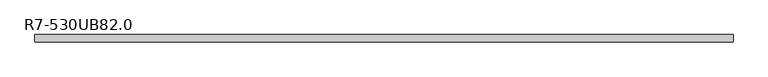
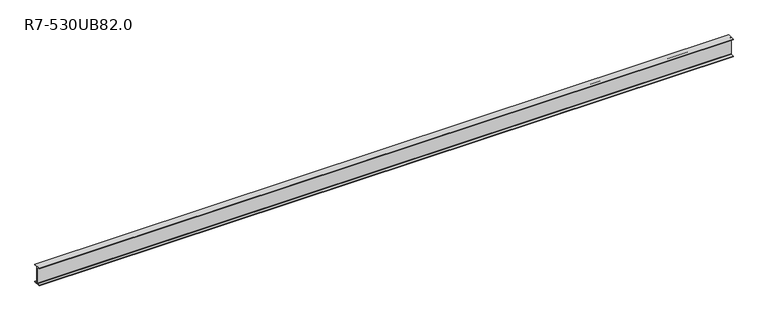
"""IFC4 building model written with IfcOpenShell, lengths in millimetres: beam geometry, R7-530UB82.0."""

from ifc_helpers import new_model, si_unit, point, frame, frame_2d, origin, place, context, project, spatial, polyline, circle_curve, trimmed, segment, composite_curve, outline, extrude, source, transform, mapped, element, save


def r7_530ub82_0_7f752433(model_context):
    return source(origin(), model_context, "Body", "SweptSolid", [
        extrude(outline(composite_curve([segment(polyline([(104.5, -250.9), (104.5, -264.1), (-104.5, -264.1), (-104.5, -250.9), (-18.8, -250.9)]), True, "CONTINUOUS"), segment(trimmed(circle_curve(frame_2d((-18.8, -236.9)), 14.0), [point((-18.8, -250.9))], [point((-4.8, -236.9))], True, "CARTESIAN"), True, "CONTINUOUS"), segment(polyline([(-4.8, -236.9), (-4.8, 236.9)]), True, "CONTINUOUS"), segment(trimmed(circle_curve(frame_2d((-18.8, 236.9)), 14.0), [point((-4.8, 236.9))], [point((-18.8, 250.9))], True, "CARTESIAN"), True, "CONTINUOUS"), segment(polyline([(-18.8, 250.9), (-104.5, 250.9), (-104.5, 264.1), (104.5, 264.1), (104.5, 250.9), (18.8, 250.9)]), True, "CONTINUOUS"), segment(trimmed(circle_curve(frame_2d((18.8, 236.9)), 14.0), [point((18.8, 250.9))], [point((4.8, 236.9))], True, "CARTESIAN"), True, "CONTINUOUS"), segment(polyline([(4.8, 236.9), (4.8, -236.9)]), True, "CONTINUOUS"), segment(trimmed(circle_curve(frame_2d((18.8, -236.9)), 14.0), [point((4.8, -236.9))], [point((18.8, -250.9))], True, "CARTESIAN"), True, "CONTINUOUS"), segment(polyline([(18.8, -250.9), (104.5, -250.9)]), True, "CONTINUOUS")], self_intersect=False)), frame((-9896.5, 0.0, 0.0), z_axis=(1.0, 0.0, 0.0), x_axis=(0.0, 1.0, 0.0)), (0.0, 0.0, 1.0), 19793.0),
    ])


if __name__ == "__main__":
    model = new_model("IFC4")
    model_context = context("Model", 3, world=origin())
    ifc_project = project(units=[si_unit("LENGTHUNIT", "METRE", prefix="MILLI")], contexts=[model_context])
    site = spatial("IfcSite", under=ifc_project)
    building = spatial("IfcBuilding", under=site)
    placement = place(None, origin())
    r7_530ub82_0_shape = r7_530ub82_0_7f752433(model_context)
    element("IfcBeam", 1, ObjectType="R7-530UB82.0", at=placement, inside=building, context=model_context, shape_type="MappedRepresentation", body=[
        mapped(r7_530ub82_0_shape, transform((0.0, 0.0, 0.0), x_axis=(1.0, 0.0, 0.0), y_axis=(0.0, 1.0, 0.0), z_axis=(0.0, 0.0, 1.0))),
    ])
    save(model, "model.ifc")
